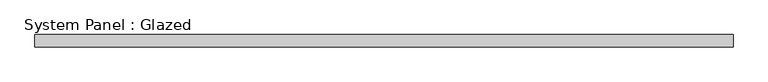
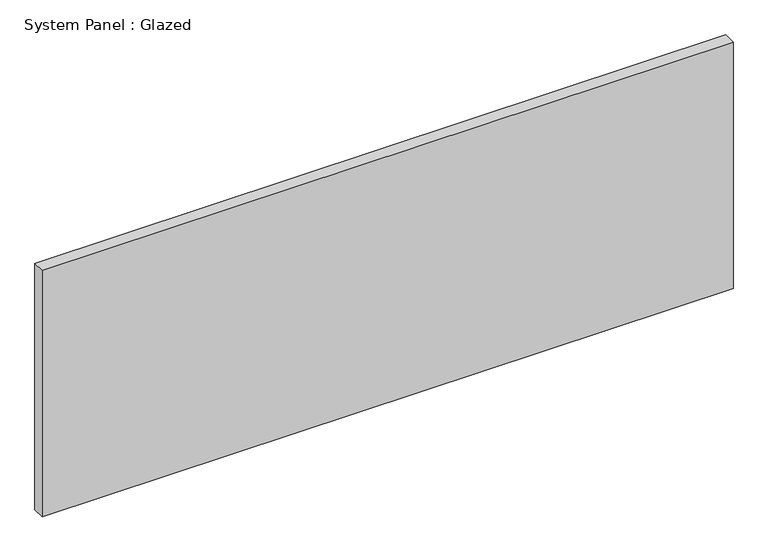
"""IFC4 building model written with IfcOpenShell, lengths in millimetres: plate geometry, System Panel : Glazed."""

import ifcopenshell
import ifcopenshell.guid

model = None  # the IFC model being written
_history = None  # IfcOwnerHistory: only IFC2X3 demands one
_inside = {}  # id of a spatial element -> (the spatial element, [elements in it])
_under = {}  # id of a project, library or spatial element -> (it, [spatial elements below it])
_declared = {}  # id of a project -> (the project, [libraries it declares])
_typed = {}  # id of a type object -> (the type object, [elements of that type])
_made_of = {}  # id of a material, layer set ... -> (it, [elements and type objects made of it])


def new_model(schema):
    """Start an empty IFC model of exactly this schema.

    Asked for "IFC4X3", IfcOpenShell would pick the latest addendum, in which some entities
    have other attributes; the version numbers below select the first issue.
    IFC2X3 requires an IfcOwnerHistory on every rooted entity: one is made here for all.
    """
    global model, _history
    if schema == "IFC4X3":
        model = ifcopenshell.file(schema_version=(4, 3, 0, 0))
    else:
        model = ifcopenshell.file(schema=schema)
    _inside.clear()
    _under.clear()
    _declared.clear()
    _typed.clear()
    _made_of.clear()
    _history = None
    if model.schema == "IFC2X3":
        org = make("IfcOrganization", Name="unknown")
        user = make(
            "IfcPersonAndOrganization",
            ThePerson=make("IfcPerson", FamilyName="unknown"),
            TheOrganization=org,
        )
        app = make(
            "IfcApplication",
            ApplicationDeveloper=org,
            Version="unknown",
            ApplicationFullName="unknown",
            ApplicationIdentifier="unknown",
        )
        _history = make(
            "IfcOwnerHistory",
            OwningUser=user,
            OwningApplication=app,
            ChangeAction="ADDED",
            CreationDate=0,
        )
    return model


def make(cls, **values):
    """One entity of the class cls with the attributes given. An attribute that is None is left unset."""
    return model.create_entity(
        cls, **{name: value for name, value in values.items() if value is not None}
    )


def rooted(cls, **values):
    """An entity with a GlobalId (a new one), such as an element, a storey or a relation."""
    return make(cls, GlobalId=ifcopenshell.guid.new(), OwnerHistory=_history, **values)


def si_unit(unit_type, name, prefix=None):
    """IfcSIUnit, for example si_unit("LENGTHUNIT", "METRE", prefix="MILLI")."""
    return make("IfcSIUnit", UnitType=unit_type, Prefix=prefix, Name=name)


def assignment(units):
    """IfcUnitAssignment: the units of a project."""
    return None if units is None else make("IfcUnitAssignment", Units=units)


def point(xyz):
    """IfcCartesianPoint."""
    return None if xyz is None else make("IfcCartesianPoint", Coordinates=xyz)


def direction(xyz):
    """IfcDirection."""
    return None if xyz is None else make("IfcDirection", DirectionRatios=xyz)


def frame(location, z_axis=None, x_axis=None):
    """IfcAxis2Placement3D, a coordinate frame: its origin and axes. An axis left out is left unset."""
    return make(
        "IfcAxis2Placement3D",
        Location=point(location),
        Axis=direction(z_axis),
        RefDirection=direction(x_axis),
    )


def origin():
    """The frame at (0, 0, 0) with its axes left unset."""
    return frame((0.0, 0.0, 0.0))


def origin_with_axes():
    """The frame at (0, 0, 0) with the z axis (0, 0, 1) and the x axis (1, 0, 0) written out."""
    return frame((0.0, 0.0, 0.0), z_axis=(0.0, 0.0, 1.0), x_axis=(1.0, 0.0, 0.0))


def place(relative_to, where):
    """IfcLocalPlacement: puts the frame where relative to a parent placement (None: the world)."""
    return make(
        "IfcLocalPlacement", PlacementRelTo=relative_to, RelativePlacement=where
    )


def context(
    kind, dimensions, precision=None, world=None, true_north=None, identifier=None
):
    """IfcGeometricRepresentationContext, for example the 3D "Model" context."""
    return make(
        "IfcGeometricRepresentationContext",
        ContextIdentifier=identifier,
        ContextType=kind,
        CoordinateSpaceDimension=dimensions,
        Precision=precision,
        WorldCoordinateSystem=world,
        TrueNorth=true_north,
    )


def project(units=None, contexts=None):
    """IfcProject with its units and contexts."""
    return rooted(
        "IfcProject",
        Name="project",
        RepresentationContexts=contexts,
        UnitsInContext=assignment(units),
    )


def spatial(cls, under=None, at=None, **own):
    """A site, building, storey or space (cls), placed at a placement, below another one or the project."""
    s = rooted(cls, ObjectPlacement=at, **own)
    if under is not None:
        _under.setdefault(under.id(), (under, []))[1].append(s)
    return s


def polyline(points):
    """IfcPolyline through the points."""
    return make("IfcPolyline", Points=[point(p) for p in points])


def outline(outer, holes=None, kind="AREA"):
    """IfcArbitraryClosedProfileDef: a profile drawn as a closed curve; with holes, ...WithVoids."""
    if holes is None:
        return make("IfcArbitraryClosedProfileDef", ProfileType=kind, OuterCurve=outer)
    return make(
        "IfcArbitraryProfileDefWithVoids",
        ProfileType=kind,
        OuterCurve=outer,
        InnerCurves=holes,
    )


def extrude(swept, where, along, depth):
    """IfcExtrudedAreaSolid: the profile swept, set in the frame where, extruded along a direction by depth."""
    return make(
        "IfcExtrudedAreaSolid",
        SweptArea=swept,
        Position=where,
        ExtrudedDirection=direction(along),
        Depth=depth,
    )


def shape(context_of_items, identifier, shape_type, items):
    """IfcShapeRepresentation: the items that make up one representation, for example the "Body"."""
    return make(
        "IfcShapeRepresentation",
        ContextOfItems=context_of_items,
        RepresentationIdentifier=identifier,
        RepresentationType=shape_type,
        Items=items,
    )


def source(mapping_origin, context_of_items, identifier, shape_type, items):
    """IfcRepresentationMap: a shape defined once, which mapped items show again and again."""
    return make(
        "IfcRepresentationMap",
        MappingOrigin=mapping_origin,
        MappedRepresentation=shape(context_of_items, identifier, shape_type, items),
    )


def transform(
    local_origin,
    x_axis=None,
    y_axis=None,
    z_axis=None,
    scale=None,
    scale2=None,
    scale3=None,
    uniform=True,
):
    """IfcCartesianTransformationOperator3D, or its non-uniform kind. x_axis, y_axis, z_axis: its Axis1, 2, 3."""
    if uniform:
        return make(
            "IfcCartesianTransformationOperator3D",
            Axis1=direction(x_axis),
            Axis2=direction(y_axis),
            LocalOrigin=point(local_origin),
            Scale=scale,
            Axis3=direction(z_axis),
        )
    return make(
        "IfcCartesianTransformationOperator3DnonUniform",
        Axis1=direction(x_axis),
        Axis2=direction(y_axis),
        LocalOrigin=point(local_origin),
        Scale=scale,
        Axis3=direction(z_axis),
        Scale2=scale2,
        Scale3=scale3,
    )


def mapped(mapping_source, mapping_target):
    """IfcMappedItem: shows the shape of a source again, moved by a transform."""
    return make(
        "IfcMappedItem", MappingSource=mapping_source, MappingTarget=mapping_target
    )


def made_of(thing, what):
    """Note that an element or type object is made of a material, layer set ...; save() writes the relation."""
    if what is not None:
        _made_of.setdefault(what.id(), (what, []))[1].append(thing)
    return thing


def element(
    cls,
    number,
    at=None,
    inside=None,
    cuts=None,
    type_object=None,
    material=None,
    context=None,
    identifier="Body",
    shape_type=None,
    held_by="IfcProductDefinitionShape",
    body=None,
    shapes=None,
    **own,
):
    """One element of the class cls, such as IfcWall. Its Tag is "e" and its number.

    at: its placement. inside: the storey or other place that contains it. cuts: it is an
    opening in that element (IfcRelVoidsElement). A single representation is given by context,
    identifier, shape_type and body (its items); several are given by shapes. held_by: the class
    of the entity that holds the representations. save() writes the other relations.
    """
    e = rooted(cls, Tag="e%d" % number, ObjectPlacement=at, **own)
    if body is not None:
        shapes = [shape(context, identifier, shape_type, body)]
    if shapes is not None:
        e.Representation = make(held_by, Representations=shapes)
    if inside is not None:
        _inside.setdefault(inside.id(), (inside, []))[1].append(e)
    if cuts is not None:
        rooted(
            "IfcRelVoidsElement", RelatingBuildingElement=cuts, RelatedOpeningElement=e
        )
    if type_object is not None:
        _typed.setdefault(type_object.id(), (type_object, []))[1].append(e)
    return made_of(e, material)


def aggregate(whole, parts):
    """IfcRelAggregates: a whole, such as a stair, and the parts it consists of."""
    return rooted("IfcRelAggregates", RelatingObject=whole, RelatedObjects=parts)


def save(model, path):
    """Write the relations noted so far, then the file.

    IfcRelAggregates (storeys below a building ...), IfcRelContainedInSpatialStructure (elements
    in a storey), IfcRelDefinesByType, IfcRelAssociatesMaterial and IfcRelDeclares: one each for
    every whole, place, type object, material and project.
    """
    for whole, parts in _under.values():
        aggregate(whole, parts)
    for where, things in _inside.values():
        rooted(
            "IfcRelContainedInSpatialStructure",
            RelatedElements=things,
            RelatingStructure=where,
        )
    for kind, things in _typed.values():
        rooted("IfcRelDefinesByType", RelatedObjects=things, RelatingType=kind)
    for what, things in _made_of.values():
        rooted("IfcRelAssociatesMaterial", RelatedObjects=things, RelatingMaterial=what)
    for by, libraries in _declared.values():
        rooted("IfcRelDeclares", RelatingContext=by, RelatedDefinitions=libraries)
    model.write(path)


def system_panel_glazed_622d1f2d(model_context):
    return source(origin(), model_context, "Body", "SweptSolid", [
        extrude(outline(polyline([(695.8333333, 24.5), (-695.8333333, 24.5), (-695.8333333, 49.5), (695.8333333, 49.5), (695.8333333, 24.5)])), origin_with_axes(), (0.0, 0.0, 1.0), 525.0),
    ])


if __name__ == "__main__":
    model = new_model("IFC4")
    model_context = context("Model", 3, world=origin())
    ifc_project = project(units=[si_unit("LENGTHUNIT", "METRE", prefix="MILLI")], contexts=[model_context])
    site = spatial("IfcSite", under=ifc_project)
    building = spatial("IfcBuilding", under=site)
    placement = place(None, origin())
    system_panel_glazed_shape = system_panel_glazed_622d1f2d(model_context)
    element("IfcPlate", 1, ObjectType="System Panel : Glazed", at=placement, inside=building, context=model_context, shape_type="MappedRepresentation", body=[
        mapped(system_panel_glazed_shape, transform((0.0, 0.0, 0.0), x_axis=(1.0, 0.0, 0.0), y_axis=(0.0, 1.0, 0.0), z_axis=(0.0, 0.0, 1.0))),
    ])
    save(model, "model.ifc")
